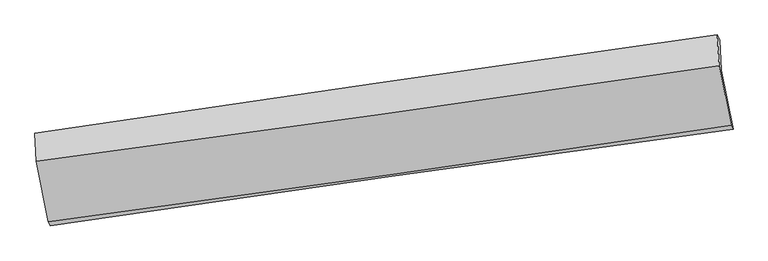
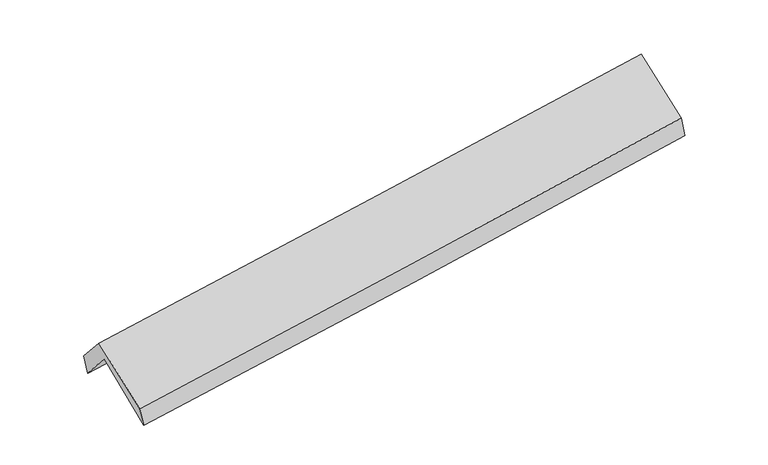
"""IFC4 building model written with IfcOpenShell, lengths in millimetres: proxy geometry."""

from ifc_helpers import new_model, si_unit, frame, origin, place, context, project, spatial, source, transform, mapped, element, save
from ifc_brep_helpers import plane_surface, spline_curve, spline_surface, advanced_brep


def generic_models_90100786(model_context):
    return source(origin(), model_context, "Body", "AdvancedBrep", [
        advanced_brep(
        [(-2898.5606682, -2521.9132437, 1453.1415396), (-3003.3079752, -2013.9985442, 1891.1459434), (2944.4276321, -1164.5545763, 2381.6986722), (3049.5015613, -1679.5736362, 1952.0066471), (-3015.1408397, -1752.9406882, 1583.5516582), (2932.5367295, -901.3358896, 2071.0522782), (-3033.466572, -1715.7201647, 1750.7117755), (2912.749612, -858.0611785, 2246.1324304), (-3022.0792953, -1957.2557245, 2029.7324946), (2927.8005214, -1128.6624746, 2529.6453015), (-2916.2038419, -2485.3761854, 1612.8434621), (3031.3222401, -1645.0422026, 2122.0241978)],
        [
            (0, 1),
            (1, 2, spline_curve(3, [(-3003.3079752, -2013.9985442, 1891.1459434), (-2011.563548402, -1866.192397743, 1956.318285218), (-1020.050986665, -1721.502912306, 2029.783424678), (962.527556808, -1438.354815486, 2193.300713848), (1953.59353103, -1299.896311357, 2283.35315078), (2944.4276321, -1164.5545763, 2381.6986722)], [4, 2, 4], [0.0, 9.888961711271333, 19.778094515418694])),
            (2, 3),
            (3, 0, spline_curve(3, [(3049.5015613, -1679.5736362, 1952.0066471), (2058.504148784, -1811.363180579, 1849.504924242), (1067.329300517, -1947.45356459, 1756.681694485), (-915.358115432, -2228.233582687, 1590.39366041), (-1906.87067717, -2372.923067795, 1516.92852095), (-2898.5606682, -2521.9132437, 1453.1415396)], [4, 2, 4], [0.0, 9.88913280414736, 19.778094515418694])),
            (1, 4),
            (4, 5, spline_curve(3, [(-3015.1408397, -1752.9406882, 1583.5516582), (-2023.276267782, -1607.712564321, 1651.719831117), (-1031.708469451, -1464.132035615, 1726.428561278), (950.850730427, -1180.263712347, 1888.928541849), (1941.842122029, -1039.975974951, 1976.720018097), (2932.5367295, -901.3358896, 2071.0522782)], [4, 2, 4], [0.0, 9.888793938962435, 19.7777589678982])),
            (5, 2),
            (4, 6),
            (6, 7, spline_curve(3, [(-3033.466572, -1715.7201647, 1750.7117755), (-2043.018290002, -1568.848123429, 1833.959737555), (-1052.280422731, -1423.941121972, 1916.868418813), (929.791628493, -1138.054725332, 2082.008648953), (1921.125822535, -997.07539797, 2164.240185922), (2912.749612, -858.0611785, 2246.1324304)], [4, 2, 4], [0.0, 9.888608626664556, 19.777388340096284])),
            (7, 5),
            (6, 8),
            (8, 9, spline_curve(3, [(-3022.0792953, -1957.2557245, 2029.7324946), (-2029.799202191, -1824.916509541, 2115.226526126), (-1037.840123972, -1689.698086775, 2199.632591507), (945.453159098, -1413.500436343, 2366.270231613), (1936.787353425, -1272.521109248, 2448.501768474), (2927.8005214, -1128.6624746, 2529.6453015)], [4, 2, 4], [0.0, 9.888509491952323, 19.77719006895665])),
            (9, 7),
            (8, 10),
            (10, 11, spline_curve(3, [(-2916.2038419, -2485.3761854, 1612.8434621), (-1924.063405323, -2352.340346723, 1698.887396301), (-932.370297091, -2215.7952316, 1784.340729189), (1050.13841263, -1935.684025463, 1954.067661855), (2040.953998256, -1792.117812793, 2038.341240539), (3031.3222401, -1645.0422026, 2122.0241978)], [4, 2, 4], [0.0, 9.8885902196094, 19.777351525667502])),
            (11, 9),
            (10, 0),
            (3, 11),
        ],
        [
            spline_surface(3, 3, [[(-2898.5606682, -2521.9132437, 1453.1415396), (-1906.870677109, -2372.923067846, 1516.928520813), (-915.358115456, -2228.233582627, 1590.393660313), (1067.329300541, -1947.45356465, 1756.681694582), (2058.504148673, -1811.363180689, 1849.504924255), (3049.5015613, -1679.5736362, 1952.0066471)], [(-2933.4764372, -2352.608343871, 1599.143007524), (-1941.768300897, -2204.012844464, 1663.391775568), (-950.255739244, -2059.323359245, 1736.856915068), (1032.395386015, -1777.753981546, 1902.221367685), (2023.533942781, -1640.874224206, 1994.120999727), (3014.476918203, -1507.900616236, 2095.23732213)], [(-2968.3922062, -2183.303444029, 1745.144475476), (-1976.665924686, -2035.102621068, 1809.855030352), (-985.153363032, -1890.413135849, 1883.320169852), (997.461471489, -1608.05439843, 2047.761040817), (1988.563736981, -1470.385267717, 2138.737075209), (2979.452275197, -1336.227596264, 2238.46799717)], [(-3003.3079752, -2013.9985442, 1891.1459434), (-2011.563548473, -1866.192397686, 1956.318285107), (-1020.05098682, -1721.502912467, 2029.783424607), (962.527556963, -1438.354815326, 2193.30071392), (1953.59353109, -1299.896311235, 2283.35315068), (2944.4276321, -1164.5545763, 2381.6986722)]], [4, 4], [4, 2, 4], [0.0, 2.2271012010514966], [0.0, 9.888961711271333, 19.778094515418694]),
            spline_surface(3, 3, [[(-3003.3079752, -2013.9985442, 1891.1459434), (-2011.563548473, -1866.192397686, 1956.318285107), (-1020.05098682, -1721.502912467, 2029.783424607), (962.527556963, -1438.354815326, 2193.30071392), (1953.59353109, -1299.896311235, 2283.35315068), (2944.4276321, -1164.5545763, 2381.6986722)], [(-3007.252263369, -1926.979258869, 1788.614515016), (-2015.467788251, -1780.032453249, 1854.785467162), (-1023.936814369, -1635.712620157, 1928.665136867), (958.635281493, -1352.324447657, 2091.84332319), (1949.67639472, -1213.256199136, 2181.142106543), (2940.46399792, -1076.815014059, 2278.149874211)], [(-3011.196551531, -1839.959973531, 1686.083086584), (-2019.372028022, -1693.872508805, 1753.252649169), (-1027.822641973, -1549.922327899, 1827.546849132), (954.743005968, -1266.294080041, 1990.385932464), (1945.75925829, -1126.616087061, 2078.931062374), (2936.50036368, -989.075451841, 2174.601076189)], [(-3015.1408397, -1752.9406882, 1583.5516582), (-2023.2762678, -1607.712564369, 1651.719831224), (-1031.708469522, -1464.132035589, 1726.428561393), (950.850730497, -1180.263712372, 1888.928541734), (1941.84212192, -1039.975974962, 1976.720018236), (2932.5367295, -901.3358896, 2071.0522782)]], [4, 4], [4, 2, 4], [0.0, 1.307794107609313], [0.0, 9.888793938962435, 19.7777589678982]),
            spline_surface(3, 3, [[(-3015.1408397, -1752.9406882, 1583.5516582), (-2023.2762678, -1607.712564369, 1651.719831224), (-1031.708469522, -1464.132035589, 1726.428561393), (950.850730497, -1180.263712372, 1888.928541734), (1941.84212192, -1039.975974962, 1976.720018236), (2932.5367295, -901.3358896, 2071.0522782)], [(-3021.249417125, -1740.533847025, 1639.271697311), (-2029.856941866, -1594.757750741, 1712.466466658), (-1038.565787282, -1450.735064399, 1789.908513892), (943.831029839, -1166.194050019, 1953.288577462), (1934.936688821, -1025.67578267, 2039.226740774), (2925.941023671, -886.91098592, 2129.412328935)], [(-3027.357994575, -1728.127005875, 1694.991736389), (-2036.437615956, -1581.802937137, 1773.213102058), (-1045.423105021, -1437.338093196, 1853.388466369), (936.811329202, -1152.124387652, 2017.648613169), (1928.031255709, -1011.375590316, 2101.733463306), (2919.345317829, -872.48608218, 2187.772379665)], [(-3033.466572, -1715.7201647, 1750.7117755), (-2043.018290023, -1568.848123509, 1833.959737492), (-1052.280422782, -1423.941122005, 1916.868418869), (929.791628544, -1138.054725299, 2082.008648897), (1921.12582261, -997.075398023, 2164.240185844), (2912.749612, -858.0611785, 2246.1324304)]], [4, 4], [4, 2, 4], [0.0, 0.6471045913490779], [0.0, 9.888608626664556, 19.777388340096284]),
            spline_surface(3, 3, [[(-3033.466572, -1715.7201647, 1750.7117755), (-2043.018290023, -1568.848123509, 1833.959737492), (-1052.280422782, -1423.941122005, 1916.868418869), (929.791628544, -1138.054725299, 2082.008648897), (1921.12582261, -997.075398023, 2164.240185844), (2912.749612, -858.0611785, 2246.1324304)], [(-3029.670813084, -1796.232017962, 1843.718681839), (-2038.611927428, -1654.204252173, 1927.715333692), (-1047.466989894, -1512.526776916, 2011.123143081), (935.012138767, -1229.869962332, 2176.762509758), (1926.346332834, -1088.890635056, 2258.994046705), (2917.766581795, -948.261610503, 2340.636720778)], [(-3025.875054216, -1876.743871238, 1936.725588261), (-2034.205564883, -1739.560380851, 2021.470929975), (-1042.653556991, -1601.112431818, 2105.37786736), (940.232649006, -1321.685199356, 2271.516370686), (1931.566843072, -1180.705872181, 2353.747907533), (2922.783551605, -1038.462042597, 2435.141011122)], [(-3022.0792953, -1957.2557245, 2029.7324946), (-2029.799202288, -1824.916509515, 2115.226526174), (-1037.840124103, -1689.698086729, 2199.632591572), (945.45315923, -1413.500436389, 2366.270231547), (1936.787353295, -1272.521109213, 2448.501768394), (2927.8005214, -1128.6624746, 2529.6453015)]], [4, 4], [4, 2, 4], [0.0, 1.2867888170198511], [0.0, 9.888509491952323, 19.77719006895665]),
            spline_surface(3, 3, [[(-3022.0792953, -1957.2557245, 2029.7324946), (-2029.799202288, -1824.916509515, 2115.226526174), (-1037.840124103, -1689.698086729, 2199.632591572), (945.45315923, -1413.500436389, 2366.270231547), (1936.787353295, -1272.521109213, 2448.501768394), (2927.8005214, -1128.6624746, 2529.6453015)], [(-2986.787477524, -2133.295878148, 1890.769483789), (-1994.553936614, -2000.724455253, 1976.446816216), (-1002.683515069, -1865.06380168, 2061.201970844), (980.348243651, -1587.561632727, 2228.86937494), (1971.509568285, -1445.720010457, 2311.781592415), (2962.307760964, -1300.789050605, 2393.771600264)], [(-2951.495659676, -2309.336031752, 1751.806472911), (-1959.308670868, -2176.532400947, 1837.667106191), (-967.526906011, -2040.42951667, 1922.771350081), (1015.243328094, -1761.622829103, 2091.468518299), (2006.231783282, -1618.918911685, 2175.061416444), (2996.815000536, -1472.915626595, 2257.897899036)], [(-2916.2038419, -2485.3761854, 1612.8434621), (-1924.063405195, -2352.340346685, 1698.887396232), (-932.370296976, -2215.795231622, 1784.340729352), (1050.138412515, -1935.684025441, 1954.067661692), (2040.953998272, -1792.117812929, 2038.341240466), (3031.3222401, -1645.0422026, 2122.0241978)]], [4, 4], [4, 2, 4], [0.0, 2.217787377022266], [0.0, 9.8885902196094, 19.777351525667502]),
            spline_surface(3, 3, [[(-2916.2038419, -2485.3761854, 1612.8434621), (-1924.063405195, -2352.340346685, 1698.887396232), (-932.370296976, -2215.795231622, 1784.340729352), (1050.138412515, -1935.684025441, 1954.067661692), (2040.953998272, -1792.117812929, 2038.341240466), (3031.3222401, -1645.0422026, 2122.0241978)], [(-2910.322783998, -2497.555204825, 1559.609487922), (-1918.332495831, -2359.20125373, 1638.234437747), (-926.699569802, -2219.941348643, 1719.691706354), (1055.868708525, -1939.607205197, 1888.272339337), (2046.804048419, -1798.532935527, 1975.395801711), (3037.382013847, -1656.552680477, 2065.351680882)], [(-2904.441726102, -2509.734224275, 1506.375513778), (-1912.601586473, -2366.062160801, 1577.581479298), (-921.028842631, -2224.087465606, 1655.042683311), (1061.599004531, -1943.530384895, 1822.477016937), (2052.654098525, -1804.948058092, 1912.45036301), (3043.441787553, -1668.063158323, 2008.679164018)], [(-2898.5606682, -2521.9132437, 1453.1415396), (-1906.870677109, -2372.923067846, 1516.928520813), (-915.358115456, -2228.233582627, 1590.393660313), (1067.329300541, -1947.45356465, 1756.681694582), (2058.504148673, -1811.363180689, 1849.504924255), (3049.5015613, -1679.5736362, 1952.0066471)]], [4, 4], [4, 2, 4], [0.0, 0.6456203253796905], [0.0, 9.888652703202167, 19.777476493934092]),
            plane_surface(frame((2966.3897161, -1229.5383263, 2217.0932545), z_axis=(0.9875727032210073, 0.13651501671785232, 0.07787044409323071), x_axis=(0.15544437091166807, -0.7753766358163893, -0.612068721780434))),
            plane_surface(frame((-2981.4598654, -2074.5340918, 1720.1878122), z_axis=(-0.987572703220806, -0.13651501672314423, -0.07787044408650819), x_axis=(-0.10707405665601659, 0.22173850990817998, 0.9692095643435037))),
        ],
        [
            (0, [[1, 2, 3, 4]]),
            (1, [[5, 6, 7, -2]]),
            (2, [[8, 9, 10, -6]]),
            (3, [[11, 12, 13, -9]]),
            (4, [[14, 15, 16, -12]]),
            (5, [[17, -4, 18, -15]]),
            (6, [[-16, -18, -3, -7, -10, -13]]),
            (7, [[-17, -14, -11, -8, -5, -1]]),
        ],
    ),
    ])


if __name__ == "__main__":
    model = new_model("IFC4")
    model_context = context("Model", 3, world=origin())
    ifc_project = project(units=[si_unit("LENGTHUNIT", "METRE", prefix="MILLI")], contexts=[model_context])
    site = spatial("IfcSite", under=ifc_project)
    building = spatial("IfcBuilding", under=site)
    placement = place(None, origin())
    generic_models_shape = generic_models_90100786(model_context)
    element("IfcBuildingElementProxy", 1, Name="Generic Models", at=placement, inside=building, context=model_context, shape_type="MappedRepresentation", body=[
        mapped(generic_models_shape, transform((0.0, 0.0, 0.0), x_axis=(1.0, 0.0, 0.0), y_axis=(0.0, 1.0, 0.0), z_axis=(0.0, 0.0, 1.0))),
    ])
    save(model, "model.ifc")
